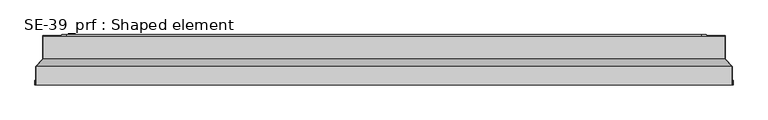
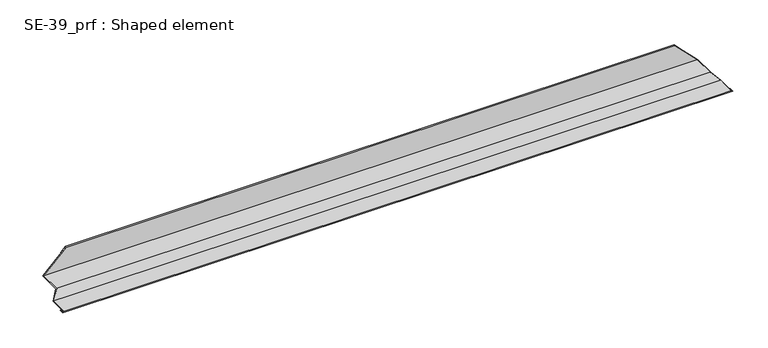
"""IFC4 building model written with IfcOpenShell, lengths in millimetres: proxy geometry, SE-39_prf : Shaped element."""

import ifcopenshell
import ifcopenshell.guid

model = None  # the IFC model being written
_history = None  # IfcOwnerHistory: only IFC2X3 demands one
_inside = {}  # id of a spatial element -> (the spatial element, [elements in it])
_under = {}  # id of a project, library or spatial element -> (it, [spatial elements below it])
_declared = {}  # id of a project -> (the project, [libraries it declares])
_typed = {}  # id of a type object -> (the type object, [elements of that type])
_made_of = {}  # id of a material, layer set ... -> (it, [elements and type objects made of it])


def new_model(schema):
    """Start an empty IFC model of exactly this schema.

    Asked for "IFC4X3", IfcOpenShell would pick the latest addendum, in which some entities
    have other attributes; the version numbers below select the first issue.
    IFC2X3 requires an IfcOwnerHistory on every rooted entity: one is made here for all.
    """
    global model, _history
    if schema == "IFC4X3":
        model = ifcopenshell.file(schema_version=(4, 3, 0, 0))
    else:
        model = ifcopenshell.file(schema=schema)
    _inside.clear()
    _under.clear()
    _declared.clear()
    _typed.clear()
    _made_of.clear()
    _history = None
    if model.schema == "IFC2X3":
        org = make("IfcOrganization", Name="unknown")
        user = make(
            "IfcPersonAndOrganization",
            ThePerson=make("IfcPerson", FamilyName="unknown"),
            TheOrganization=org,
        )
        app = make(
            "IfcApplication",
            ApplicationDeveloper=org,
            Version="unknown",
            ApplicationFullName="unknown",
            ApplicationIdentifier="unknown",
        )
        _history = make(
            "IfcOwnerHistory",
            OwningUser=user,
            OwningApplication=app,
            ChangeAction="ADDED",
            CreationDate=0,
        )
    return model


def make(cls, **values):
    """One entity of the class cls with the attributes given. An attribute that is None is left unset."""
    return model.create_entity(
        cls, **{name: value for name, value in values.items() if value is not None}
    )


def rooted(cls, **values):
    """An entity with a GlobalId (a new one), such as an element, a storey or a relation."""
    return make(cls, GlobalId=ifcopenshell.guid.new(), OwnerHistory=_history, **values)


def si_unit(unit_type, name, prefix=None):
    """IfcSIUnit, for example si_unit("LENGTHUNIT", "METRE", prefix="MILLI")."""
    return make("IfcSIUnit", UnitType=unit_type, Prefix=prefix, Name=name)


def assignment(units):
    """IfcUnitAssignment: the units of a project."""
    return None if units is None else make("IfcUnitAssignment", Units=units)


def point(xyz):
    """IfcCartesianPoint."""
    return None if xyz is None else make("IfcCartesianPoint", Coordinates=xyz)


def direction(xyz):
    """IfcDirection."""
    return None if xyz is None else make("IfcDirection", DirectionRatios=xyz)


def frame(location, z_axis=None, x_axis=None):
    """IfcAxis2Placement3D, a coordinate frame: its origin and axes. An axis left out is left unset."""
    return make(
        "IfcAxis2Placement3D",
        Location=point(location),
        Axis=direction(z_axis),
        RefDirection=direction(x_axis),
    )


def origin():
    """The frame at (0, 0, 0) with its axes left unset."""
    return frame((0.0, 0.0, 0.0))


def place(relative_to, where):
    """IfcLocalPlacement: puts the frame where relative to a parent placement (None: the world)."""
    return make(
        "IfcLocalPlacement", PlacementRelTo=relative_to, RelativePlacement=where
    )


def context(
    kind, dimensions, precision=None, world=None, true_north=None, identifier=None
):
    """IfcGeometricRepresentationContext, for example the 3D "Model" context."""
    return make(
        "IfcGeometricRepresentationContext",
        ContextIdentifier=identifier,
        ContextType=kind,
        CoordinateSpaceDimension=dimensions,
        Precision=precision,
        WorldCoordinateSystem=world,
        TrueNorth=true_north,
    )


def project(units=None, contexts=None):
    """IfcProject with its units and contexts."""
    return rooted(
        "IfcProject",
        Name="project",
        RepresentationContexts=contexts,
        UnitsInContext=assignment(units),
    )


def spatial(cls, under=None, at=None, **own):
    """A site, building, storey or space (cls), placed at a placement, below another one or the project."""
    s = rooted(cls, ObjectPlacement=at, **own)
    if under is not None:
        _under.setdefault(under.id(), (under, []))[1].append(s)
    return s


def faces_of(points, faces, orient=None, outer=None):
    """IfcFace entities. A face is a list of loops; a loop is a list of indices into points, from 0.

    orient and outer hold one flag for each loop. By default every Orientation is true, the
    first loop of a face is its IfcFaceOuterBound and the others are IfcFaceBound.
    """
    made = []
    for i, loops in enumerate(faces):
        bounds = []
        for j, loop in enumerate(loops):
            is_outer = j == 0 if outer is None else outer[i][j]
            bounds.append(
                make(
                    "IfcFaceOuterBound" if is_outer else "IfcFaceBound",
                    Bound=make("IfcPolyLoop", Polygon=[points[k] for k in loop]),
                    Orientation=True if orient is None else orient[i][j],
                )
            )
        made.append(make("IfcFace", Bounds=bounds))
    return made


def faceted_brep(points, faces, orient=None, outer=None, voids=None):
    """IfcFacetedBrep: a solid bounded by flat faces; with voids (closed shells), ...WithVoids."""
    shared = [point(p) for p in points]
    hull = make("IfcClosedShell", CfsFaces=faces_of(shared, faces, orient, outer))
    if voids is None:
        return make("IfcFacetedBrep", Outer=hull)
    return make(
        "IfcFacetedBrepWithVoids",
        Outer=hull,
        Voids=[
            make(cls, CfsFaces=faces_of(shared, fs, o, b)) for cls, fs, o, b in voids
        ],
    )


def shape(context_of_items, identifier, shape_type, items):
    """IfcShapeRepresentation: the items that make up one representation, for example the "Body"."""
    return make(
        "IfcShapeRepresentation",
        ContextOfItems=context_of_items,
        RepresentationIdentifier=identifier,
        RepresentationType=shape_type,
        Items=items,
    )


def source(mapping_origin, context_of_items, identifier, shape_type, items):
    """IfcRepresentationMap: a shape defined once, which mapped items show again and again."""
    return make(
        "IfcRepresentationMap",
        MappingOrigin=mapping_origin,
        MappedRepresentation=shape(context_of_items, identifier, shape_type, items),
    )


def transform(
    local_origin,
    x_axis=None,
    y_axis=None,
    z_axis=None,
    scale=None,
    scale2=None,
    scale3=None,
    uniform=True,
):
    """IfcCartesianTransformationOperator3D, or its non-uniform kind. x_axis, y_axis, z_axis: its Axis1, 2, 3."""
    if uniform:
        return make(
            "IfcCartesianTransformationOperator3D",
            Axis1=direction(x_axis),
            Axis2=direction(y_axis),
            LocalOrigin=point(local_origin),
            Scale=scale,
            Axis3=direction(z_axis),
        )
    return make(
        "IfcCartesianTransformationOperator3DnonUniform",
        Axis1=direction(x_axis),
        Axis2=direction(y_axis),
        LocalOrigin=point(local_origin),
        Scale=scale,
        Axis3=direction(z_axis),
        Scale2=scale2,
        Scale3=scale3,
    )


def mapped(mapping_source, mapping_target):
    """IfcMappedItem: shows the shape of a source again, moved by a transform."""
    return make(
        "IfcMappedItem", MappingSource=mapping_source, MappingTarget=mapping_target
    )


def made_of(thing, what):
    """Note that an element or type object is made of a material, layer set ...; save() writes the relation."""
    if what is not None:
        _made_of.setdefault(what.id(), (what, []))[1].append(thing)
    return thing


def element(
    cls,
    number,
    at=None,
    inside=None,
    cuts=None,
    type_object=None,
    material=None,
    context=None,
    identifier="Body",
    shape_type=None,
    held_by="IfcProductDefinitionShape",
    body=None,
    shapes=None,
    **own,
):
    """One element of the class cls, such as IfcWall. Its Tag is "e" and its number.

    at: its placement. inside: the storey or other place that contains it. cuts: it is an
    opening in that element (IfcRelVoidsElement). A single representation is given by context,
    identifier, shape_type and body (its items); several are given by shapes. held_by: the class
    of the entity that holds the representations. save() writes the other relations.
    """
    e = rooted(cls, Tag="e%d" % number, ObjectPlacement=at, **own)
    if body is not None:
        shapes = [shape(context, identifier, shape_type, body)]
    if shapes is not None:
        e.Representation = make(held_by, Representations=shapes)
    if inside is not None:
        _inside.setdefault(inside.id(), (inside, []))[1].append(e)
    if cuts is not None:
        rooted(
            "IfcRelVoidsElement", RelatingBuildingElement=cuts, RelatedOpeningElement=e
        )
    if type_object is not None:
        _typed.setdefault(type_object.id(), (type_object, []))[1].append(e)
    return made_of(e, material)


def aggregate(whole, parts):
    """IfcRelAggregates: a whole, such as a stair, and the parts it consists of."""
    return rooted("IfcRelAggregates", RelatingObject=whole, RelatedObjects=parts)


def save(model, path):
    """Write the relations noted so far, then the file.

    IfcRelAggregates (storeys below a building ...), IfcRelContainedInSpatialStructure (elements
    in a storey), IfcRelDefinesByType, IfcRelAssociatesMaterial and IfcRelDeclares: one each for
    every whole, place, type object, material and project.
    """
    for whole, parts in _under.values():
        aggregate(whole, parts)
    for where, things in _inside.values():
        rooted(
            "IfcRelContainedInSpatialStructure",
            RelatedElements=things,
            RelatingStructure=where,
        )
    for kind, things in _typed.values():
        rooted("IfcRelDefinesByType", RelatedObjects=things, RelatingType=kind)
    for what, things in _made_of.values():
        rooted("IfcRelAssociatesMaterial", RelatedObjects=things, RelatingMaterial=what)
    for by, libraries in _declared.values():
        rooted("IfcRelDeclares", RelatingContext=by, RelatedDefinitions=libraries)
    model.write(path)


def se_39_prf_shaped_element_2736a1fe(model_context):
    return source(origin(), model_context, "Body", "Brep", [
        faceted_brep([(5.0, -70.2470073, 5.0), (2.0, -70.2470073, 2.0), (1498.0, -70.2470073, 2.0), (1495.0, -70.2470073, 5.0), (5.0, -30.2470073, 5.0), (1495.0, -30.2470073, 5.0), (19.8492424, -14.5866853, 19.8492424), (1480.1507576, -14.5866853, 19.8492424), (19.8492424, 34.9817712, 19.8492424), (1480.1507576, 34.9817712, 19.8492424), (69.8492424, 34.9817712, 69.8492424), (1430.1507576, 34.9817712, 69.8492424), (69.8492424, 37.9817712, 69.8492424), (1430.1507576, 37.9817712, 69.8492424), (59.8492424, 37.9817712, 59.8492424), (1440.1507576, 37.9817712, 59.8492424), (59.8492424, 36.9817712, 59.8492424), (1440.1507576, 36.9817712, 59.8492424), (68.8492424, 36.9817712, 68.8492424), (1431.1507576, 36.9817712, 68.8492424), (68.8492424, 35.9817712, 68.8492424), (1431.1507576, 35.9817712, 68.8492424), (18.8492424, 35.9817712, 18.8492424), (1481.1507576, 35.9817712, 18.8492424), (18.8492424, -14.1701193, 18.8492424), (1481.1507576, -14.1701193, 18.8492424), (4.0, -29.8486151, 4.0), (1496.0, -29.8486151, 4.0), (4.0, -69.2470073, 4.0), (1496.0, -69.2470073, 4.0), (3.0, -69.2470073, 3.0), (1497.0, -69.2470073, 3.0), (3.0, -60.2470073, 3.0), (1497.0, -60.2470073, 3.0), (2.0, -60.2470073, 2.0), (1498.0, -60.2470073, 2.0)], [[[0, 1, 2, 3]], [[4, 0, 3, 5]], [[6, 4, 5, 7]], [[8, 6, 7, 9]], [[10, 8, 9, 11]], [[12, 10, 11, 13]], [[14, 12, 13, 15]], [[16, 14, 15, 17]], [[18, 16, 17, 19]], [[20, 18, 19, 21]], [[22, 20, 21, 23]], [[24, 22, 23, 25]], [[26, 24, 25, 27]], [[28, 26, 27, 29]], [[30, 28, 29, 31]], [[32, 30, 31, 33]], [[34, 32, 33, 35]], [[1, 34, 35, 2]], [[1, 0, 4, 6, 8, 10, 12, 14, 16, 18, 20, 22, 24, 26, 28, 30, 32, 34]], [[3, 2, 35, 33, 31, 29, 27, 25, 23, 21, 19, 17, 15, 13, 11, 9, 7, 5]]]),
    ])


if __name__ == "__main__":
    model = new_model("IFC4")
    model_context = context("Model", 3, world=origin())
    ifc_project = project(units=[si_unit("LENGTHUNIT", "METRE", prefix="MILLI")], contexts=[model_context])
    site = spatial("IfcSite", under=ifc_project)
    building = spatial("IfcBuilding", under=site)
    placement = place(None, origin())
    se_39_prf_shaped_element_shape = se_39_prf_shaped_element_2736a1fe(model_context)
    element("IfcBuildingElementProxy", 1, Name="SE-39_prf : Shaped element", ObjectType="SE-39_prf : Shaped element", at=placement, inside=building, context=model_context, shape_type="MappedRepresentation", body=[
        mapped(se_39_prf_shaped_element_shape, transform((0.0, 0.0, 0.0), x_axis=(1.0, 0.0, 0.0), y_axis=(0.0, 1.0, 0.0), z_axis=(0.0, 0.0, 1.0))),
    ])
    save(model, "model.ifc")
